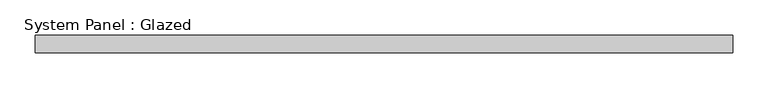
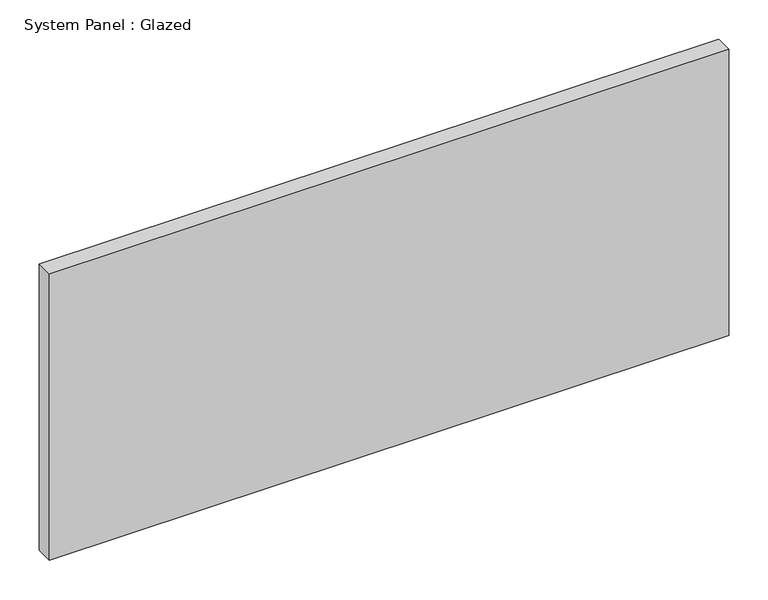
"""IFC4 building model written with IfcOpenShell, lengths in millimetres: plate geometry, System Panel : Glazed."""

from ifc_helpers import new_model, si_unit, origin, origin_with_axes, place, context, project, spatial, polyline, outline, extrude, source, transform, mapped, element, save


def system_panel_glazed_21f9e278(model_context):
    return source(origin(), model_context, "Body", "SweptSolid", [
        extrude(outline(polyline([(498.475, -12.7), (-498.475, -12.7), (-498.475, 12.7), (498.475, 12.7), (498.475, -12.7)])), origin_with_axes(), (0.0, 0.0, 1.0), 444.5),
    ])


if __name__ == "__main__":
    model = new_model("IFC4")
    model_context = context("Model", 3, world=origin())
    ifc_project = project(units=[si_unit("LENGTHUNIT", "METRE", prefix="MILLI")], contexts=[model_context])
    site = spatial("IfcSite", under=ifc_project)
    building = spatial("IfcBuilding", under=site)
    placement = place(None, origin())
    system_panel_glazed_shape = system_panel_glazed_21f9e278(model_context)
    element("IfcPlate", 1, ObjectType="System Panel : Glazed", at=placement, inside=building, context=model_context, shape_type="MappedRepresentation", body=[
        mapped(system_panel_glazed_shape, transform((0.0, 0.0, 0.0), x_axis=(1.0, 0.0, 0.0), y_axis=(0.0, 1.0, 0.0), z_axis=(0.0, 0.0, 1.0))),
    ])
    save(model, "model.ifc")
